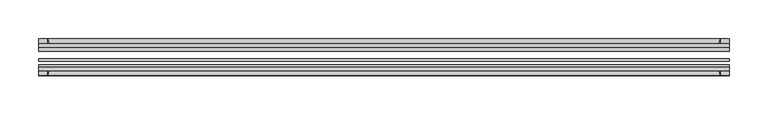
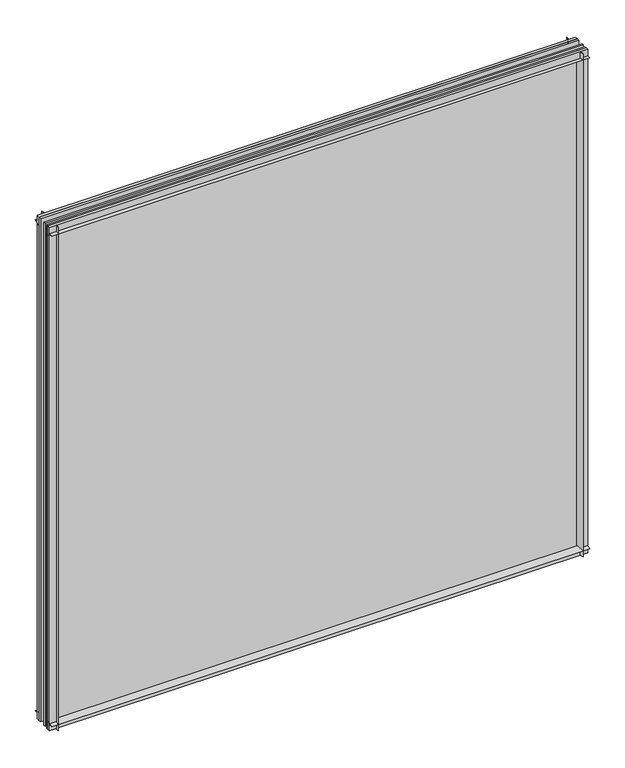
"""IFC4 building model written with IfcOpenShell, lengths in millimetres: plate geometry."""

from ifc_helpers import new_model, si_unit, point, frame, frame_2d, origin, place, context, project, spatial, polyline, circle_curve, trimmed, segment, composite_curve, outline, extrude, source, transform, mapped, element, save


def plate_6eb43fae(model_context):
    return source(origin(), model_context, "Body", "SweptSolid", [
        extrude(outline(composite_curve([segment(polyline([(-74.653775, 0.0), (-80.586498, 0.0)]), True, "CONTINUOUS"), segment(trimmed(circle_curve(frame_2d((-86.2543953, 32.273404)), 32.7673262), [point((-80.586498, 0.0))], [point((-69.878575, 3.8915405))], True, "CARTESIAN"), True, "CONTINUOUS"), segment(polyline([(-69.878575, 3.8915405), (-69.878575, -10.31875), (-74.653775, -10.31875), (-74.653775, 0.0)]), True, "CONTINUOUS")], self_intersect=False)), frame((-442.9125, 0.0, 0.0), z_axis=(1.0, 0.0, 0.0), x_axis=(0.0, 1.0, 0.0)), (0.0, 0.0, 1.0), 885.825),
        extrude(outline(composite_curve([segment(polyline([(-44.478575, -10.31875), (-44.478575, 3.8915405)]), True, "CONTINUOUS"), segment(trimmed(circle_curve(frame_2d((-28.1027547, 32.273404)), 32.7673262), [point((-44.478575, 3.8915405))], [point((-33.770652, 0.0))], True, "CARTESIAN"), True, "CONTINUOUS"), segment(polyline([(-33.770652, 0.0), (-39.703375, 0.0), (-39.703375, -10.31875), (-44.478575, -10.31875)]), True, "CONTINUOUS")], self_intersect=False)), frame((-442.9125, 0.0, 0.0), z_axis=(1.0, 0.0, 0.0), x_axis=(0.0, 1.0, 0.0)), (0.0, 0.0, 1.0), 885.825),
        extrude(outline(composite_curve([segment(trimmed(circle_curve(frame_2d((-86.2543953, 821.795246)), 32.7673262), [point((-69.878575, 850.1771095))], [point((-80.622775, 854.075))], True, "CARTESIAN"), True, "CONTINUOUS"), segment(polyline([(-80.622775, 854.075), (-74.653775, 854.075), (-74.653775, 865.1875), (-69.878575, 865.1875), (-69.878575, 850.1771095)]), True, "CONTINUOUS")], self_intersect=False)), frame((-442.9125, 0.0, 0.0), z_axis=(1.0, 0.0, 0.0), x_axis=(0.0, 1.0, 0.0)), (0.0, 0.0, 1.0), 885.825),
        extrude(outline(composite_curve([segment(polyline([(-44.478575, 850.1771095), (-44.478575, 865.1875), (-39.703375, 865.1875), (-39.703375, 854.075), (-33.734375, 854.075)]), True, "CONTINUOUS"), segment(trimmed(circle_curve(frame_2d((-28.1027547, 821.795246)), 32.7673262), [point((-33.734375, 854.075))], [point((-44.478575, 850.1771095))], True, "CARTESIAN"), True, "CONTINUOUS")], self_intersect=False)), frame((-442.9125, 0.0, 0.0), z_axis=(1.0, 0.0, 0.0), x_axis=(0.0, 1.0, 0.0)), (0.0, 0.0, 1.0), 885.825),
        extrude(outline(composite_curve([segment(polyline([(427.9021095, -69.878575), (442.9125, -69.878575), (442.9125, -74.653775), (431.8, -74.653775), (431.8, -80.622775)]), True, "CONTINUOUS"), segment(trimmed(circle_curve(frame_2d((399.520246, -86.2543953)), 32.7673262), [point((431.8, -80.622775))], [point((427.9021095, -69.878575))], True, "CARTESIAN"), True, "CONTINUOUS")], self_intersect=False)), frame((0.0, 0.0, -10.31875), z_axis=(0.0, 0.0, 1.0), x_axis=(1.0, 0.0, 0.0)), (0.0, 0.0, 1.0), 875.50625),
        extrude(outline(composite_curve([segment(trimmed(circle_curve(frame_2d((399.520246, -28.1027547)), 32.7673262), [point((427.9021095, -44.478575))], [point((431.8, -33.734375))], True, "CARTESIAN"), True, "CONTINUOUS"), segment(polyline([(431.8, -33.734375), (431.8, -39.703375), (442.9125, -39.703375), (442.9125, -44.478575), (427.9021095, -44.478575)]), True, "CONTINUOUS")], self_intersect=False)), frame((0.0, 0.0, -10.31875), z_axis=(0.0, 0.0, 1.0), x_axis=(1.0, 0.0, 0.0)), (0.0, 0.0, 1.0), 875.50625),
        extrude(outline(composite_curve([segment(trimmed(circle_curve(frame_2d((-399.520246, -86.2543953)), 32.7673262), [point((-427.9021095, -69.878575))], [point((-431.8, -80.622775))], True, "CARTESIAN"), True, "CONTINUOUS"), segment(polyline([(-431.8, -80.622775), (-431.8, -74.653775), (-442.9125, -74.653775), (-442.9125, -69.878575), (-427.9021095, -69.878575)]), True, "CONTINUOUS")], self_intersect=False)), frame((0.0, 0.0, -10.31875), z_axis=(0.0, 0.0, 1.0), x_axis=(1.0, 0.0, 0.0)), (0.0, 0.0, 1.0), 875.50625),
        extrude(outline(composite_curve([segment(polyline([(-427.9021095, -44.478575), (-442.9125, -44.478575), (-442.9125, -39.703375), (-431.8, -39.703375), (-431.8, -33.734375)]), True, "CONTINUOUS"), segment(trimmed(circle_curve(frame_2d((-399.520246, -28.1027547)), 32.7673262), [point((-431.8, -33.734375))], [point((-427.9021095, -44.478575))], True, "CARTESIAN"), True, "CONTINUOUS")], self_intersect=False)), frame((0.0, 0.0, -10.31875), z_axis=(0.0, 0.0, 1.0), x_axis=(1.0, 0.0, 0.0)), (0.0, 0.0, 1.0), 875.50625),
        extrude(outline(polyline([(-442.9125, -44.478575), (442.9125, -44.478575), (442.9125, -49.241075), (-442.9125, -49.241075), (-442.9125, -44.478575)])), frame((0.0, 0.0, -10.31875), z_axis=(0.0, 0.0, 1.0), x_axis=(1.0, 0.0, 0.0)), (0.0, 0.0, 1.0), 875.50625),
        extrude(outline(polyline([(442.9125, -58.956575), (442.9125, -62.131575), (-442.9125, -62.131575), (-442.9125, -58.956575), (442.9125, -58.956575)])), frame((0.0, 0.0, -10.31875), z_axis=(0.0, 0.0, 1.0), x_axis=(1.0, 0.0, 0.0)), (0.0, 0.0, 1.0), 875.50625),
        extrude(outline(polyline([(-442.9125, -66.703575), (442.9125, -66.703575), (442.9125, -69.878575), (-442.9125, -69.878575), (-442.9125, -66.703575)])), frame((0.0, 0.0, -10.31875), z_axis=(0.0, 0.0, 1.0), x_axis=(1.0, 0.0, 0.0)), (0.0, 0.0, 1.0), 875.50625),
    ])


if __name__ == "__main__":
    model = new_model("IFC4")
    model_context = context("Model", 3, world=origin())
    ifc_project = project(units=[si_unit("LENGTHUNIT", "METRE", prefix="MILLI")], contexts=[model_context])
    site = spatial("IfcSite", under=ifc_project)
    building = spatial("IfcBuilding", under=site)
    placement = place(None, origin())
    plate_shape = plate_6eb43fae(model_context)
    element("IfcPlate", 1, at=placement, inside=building, context=model_context, shape_type="MappedRepresentation", body=[
        mapped(plate_shape, transform((0.0, 0.0, 0.0), x_axis=(1.0, 0.0, 0.0), y_axis=(0.0, 1.0, 0.0), z_axis=(0.0, 0.0, 1.0))),
    ])
    save(model, "model.ifc")
